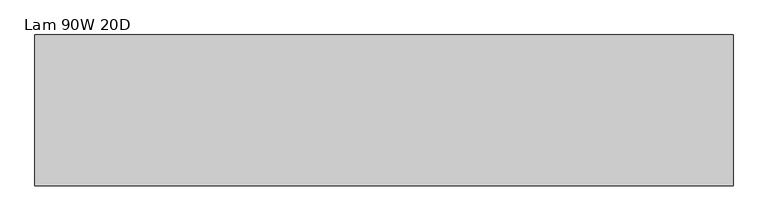
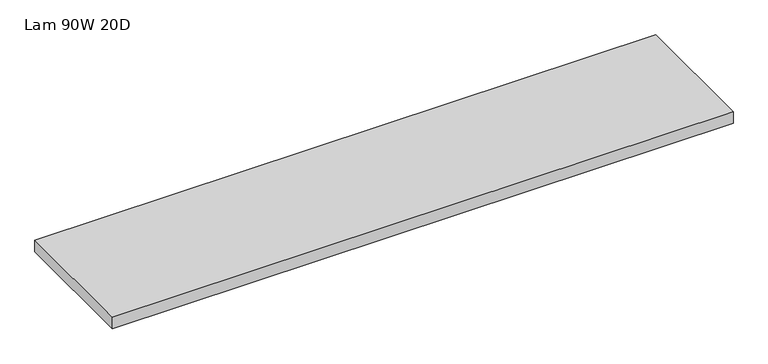
"""IFC4 building model written with IfcOpenShell, lengths in millimetres: furniture geometry, Lam 90W 20D."""

from ifc_helpers import new_model, si_unit, frame, origin, place, context, project, spatial, polyline, outline, extrude, source, transform, mapped, element, save


def lam_90w_20d_1d1a0b67(model_context):
    return source(origin(), model_context, "Body", "SweptSolid", [
        extrude(outline(polyline([(2376.17, 254.0), (2376.17, -254.0), (26.67, -254.0), (26.67, 254.0), (2376.17, 254.0)])), frame((0.0, 0.0, 1063.625), z_axis=(0.0, 0.0, 1.0), x_axis=(1.0, 0.0, 0.0)), (0.0, 0.0, 1.0), 44.704),
    ])


if __name__ == "__main__":
    model = new_model("IFC4")
    model_context = context("Model", 3, world=origin())
    ifc_project = project(units=[si_unit("LENGTHUNIT", "METRE", prefix="MILLI")], contexts=[model_context])
    site = spatial("IfcSite", under=ifc_project)
    building = spatial("IfcBuilding", under=site)
    placement = place(None, origin())
    lam_90w_20d_shape = lam_90w_20d_1d1a0b67(model_context)
    element("IfcFurniture", 1, ObjectType="Lam 90W 20D", at=placement, inside=building, context=model_context, shape_type="MappedRepresentation", body=[
        mapped(lam_90w_20d_shape, transform((0.0, 0.0, 0.0), x_axis=(1.0, 0.0, 0.0), y_axis=(0.0, 1.0, 0.0), z_axis=(0.0, 0.0, 1.0))),
    ])
    save(model, "model.ifc")
